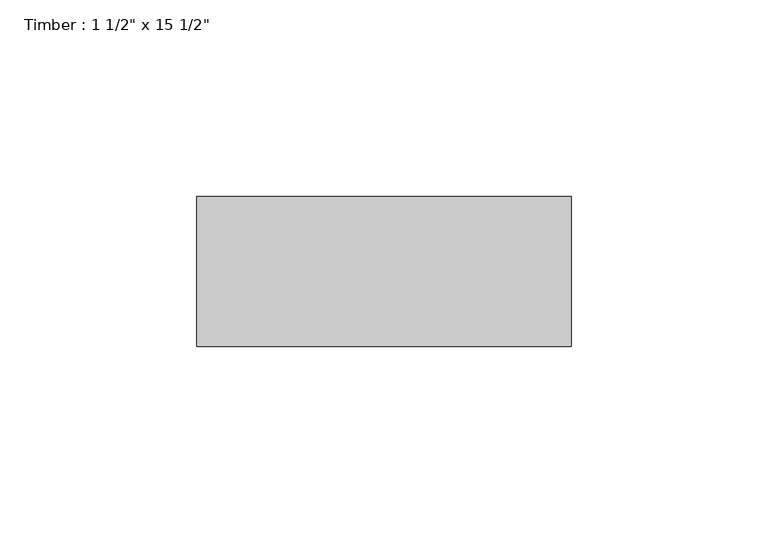
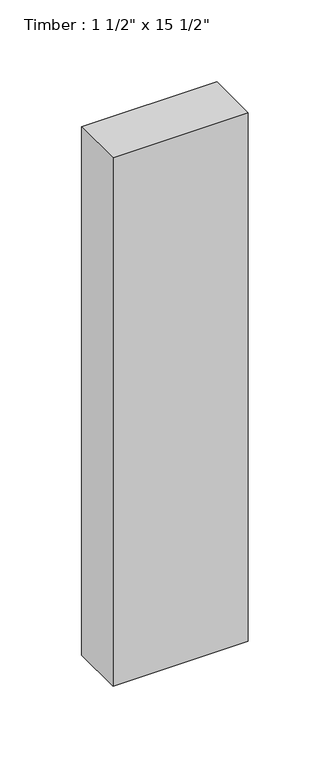
"""IFC4 building model written with IfcOpenShell, lengths in millimetres: beam geometry."""

from ifc_helpers import new_model, si_unit, frame, origin, place, context, project, spatial, polyline, outline, extrude, source, transform, mapped, element, save


def beam_bfbb2f64(model_context):
    return source(origin(), model_context, "Body", "SweptSolid", [
        extrude(outline(polyline([(47.625, 19.05), (47.625, -19.05), (-47.625, -19.05), (-47.625, 19.05), (47.625, 19.05)])), frame((0.0, 0.0, -196.85), z_axis=(0.0, 0.0, 1.0), x_axis=(1.0, 0.0, 0.0)), (0.0, 0.0, 1.0), 393.7),
    ])


if __name__ == "__main__":
    model = new_model("IFC4")
    model_context = context("Model", 3, world=origin())
    ifc_project = project(units=[si_unit("LENGTHUNIT", "METRE", prefix="MILLI")], contexts=[model_context])
    site = spatial("IfcSite", under=ifc_project)
    building = spatial("IfcBuilding", under=site)
    placement = place(None, origin())
    beam_shape = beam_bfbb2f64(model_context)
    element("IfcBeam", 1, ObjectType="Timber : 1 1/2\" x 15 1/2\"", at=placement, inside=building, context=model_context, shape_type="MappedRepresentation", body=[
        mapped(beam_shape, transform((0.0, 0.0, 0.0), x_axis=(1.0, 0.0, 0.0), y_axis=(0.0, 1.0, 0.0), z_axis=(0.0, 0.0, 1.0))),
    ])
    save(model, "model.ifc")
